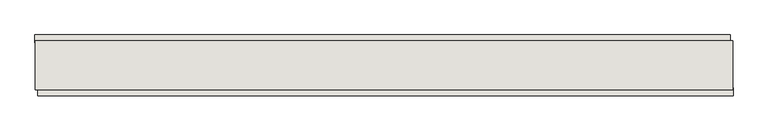
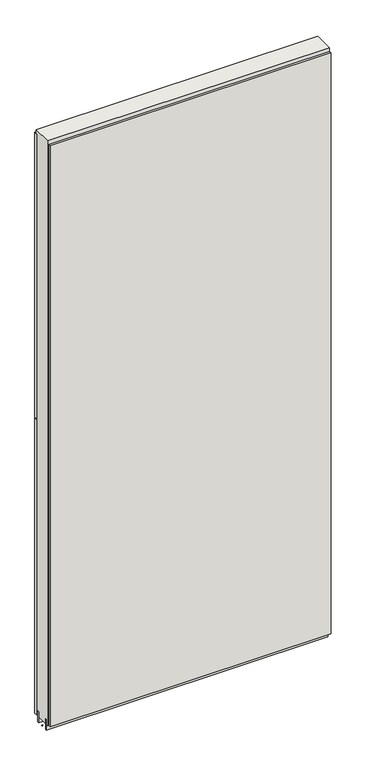
"""IFC4 building model written with IfcOpenShell, lengths in millimetres: wall geometry."""

from ifc_helpers import new_model, si_unit, frame, origin, place, context, project, spatial, polyline, outline, extrude, source, transform, mapped, element, save


def wall_b067b6b5(model_context):
    return source(origin(), model_context, "Body", "SweptSolid", [
        extrude(outline(polyline([(42876.47, -45576.6338656), (42873.93, -45576.6338656), (42873.93, -45574.0938656), (42876.47, -45574.0938656), (42876.47, -45576.6338656)])), frame((0.0, 0.0, 4419.6), z_axis=(0.0, 0.0, 1.0), x_axis=(1.0, 0.0, 0.0)), (0.0, 0.0, 1.0), 2.54),
        extrude(outline(polyline([(42873.4668818, -45524.5669644), (44037.8668898, -45524.5669644), (44037.8668898, -45537.2669644), (42873.4668818, -45537.2669644), (42873.4668818, -45524.5669644)])), frame((0.0, 0.0, 5742.399869), z_axis=(0.0, 0.0, 1.0), x_axis=(1.0, 0.0, 0.0)), (0.0, 0.0, 1.0), 1247.649905),
        extrude(outline(polyline([(42873.4668818, -45524.5669644), (44037.8668898, -45524.5669644), (44037.8668898, -45537.2669644), (42873.4668818, -45537.2669644), (42873.4668818, -45524.5669644)])), frame((0.0, 0.0, 4445.0), z_axis=(0.0, 0.0, 1.0), x_axis=(1.0, 0.0, 0.0)), (0.0, 0.0, 1.0), 1293.400004),
        extrude(outline(polyline([(44042.7968266, -45626.1638656), (42878.3968186, -45626.1638656), (42878.3968186, -45613.4638656), (44042.7968266, -45613.4638656), (44042.7968266, -45626.1638656)])), frame((0.0, 0.0, 4445.0), z_axis=(0.0, 0.0, 1.0), x_axis=(1.0, 0.0, 0.0)), (0.0, 0.0, 1.0), 2545.0498756),
        extrude(outline(polyline([(44042.3287554, -45550.2770222), (42873.9287554, -45550.2770222), (42873.9287554, -45545.1982668), (44042.3287554, -45545.1982668), (44042.3287554, -45550.2770222)])), frame((0.0, 0.0, 4418.6602), z_axis=(0.0, 0.0, 1.0), x_axis=(1.0, 0.0, 0.0)), (0.0, 0.0, 1.0), 47.625),
        extrude(outline(polyline([(44042.3287554, -45550.2770222), (42873.9287554, -45550.2770222), (42873.9287554, -45545.1982668), (44042.3287554, -45545.1982668), (44042.3287554, -45550.2770222)])), frame((0.0, 0.0, 4418.6602), z_axis=(0.0, 0.0, 1.0), x_axis=(1.0, 0.0, 0.0)), (0.0, 0.0, 1.0), 47.625),
        extrude(outline(polyline([(42873.9287554, -45600.4414126), (44042.3287554, -45600.4414126), (44042.3287554, -45605.5232668), (42873.9287554, -45605.5232668), (42873.9287554, -45600.4414126)])), frame((0.0, 0.0, 4418.6602), z_axis=(0.0, 0.0, 1.0), x_axis=(1.0, 0.0, 0.0)), (0.0, 0.0, 1.0), 47.625),
        extrude(outline(polyline([(42873.9287554, -45600.4414126), (44042.3287554, -45600.4414126), (44042.3287554, -45605.5232668), (42873.9287554, -45605.5232668), (42873.9287554, -45600.4414126)])), frame((0.0, 0.0, 4418.6602), z_axis=(0.0, 0.0, 1.0), x_axis=(1.0, 0.0, 0.0)), (0.0, 0.0, 1.0), 47.625),
        extrude(outline(polyline([(44042.3287554, -45534.733797), (44042.3287554, -45616.0125524), (42873.9287554, -45616.0125524), (42873.9287554, -45534.733797), (44042.3287554, -45534.733797)])), frame((0.0, 0.0, 4445.0), z_axis=(0.0, 0.0, 1.0), x_axis=(1.0, 0.0, 0.0)), (0.0, 0.0, 1.0), 2562.4536762),
    ])


if __name__ == "__main__":
    model = new_model("IFC4")
    model_context = context("Model", 3, world=origin())
    ifc_project = project(units=[si_unit("LENGTHUNIT", "METRE", prefix="MILLI")], contexts=[model_context])
    site = spatial("IfcSite", under=ifc_project)
    building = spatial("IfcBuilding", under=site)
    placement = place(None, origin())
    wall_shape = wall_b067b6b5(model_context)
    element("IfcWall", 1, at=placement, inside=building, context=model_context, shape_type="MappedRepresentation", body=[
        mapped(wall_shape, transform((0.0, 0.0, 0.0), x_axis=(1.0, 0.0, 0.0), y_axis=(0.0, 1.0, 0.0), z_axis=(0.0, 0.0, 1.0))),
    ])
    save(model, "model.ifc")
